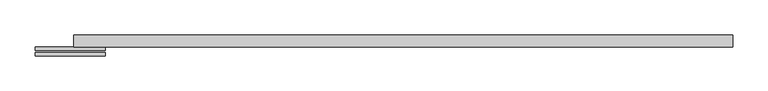
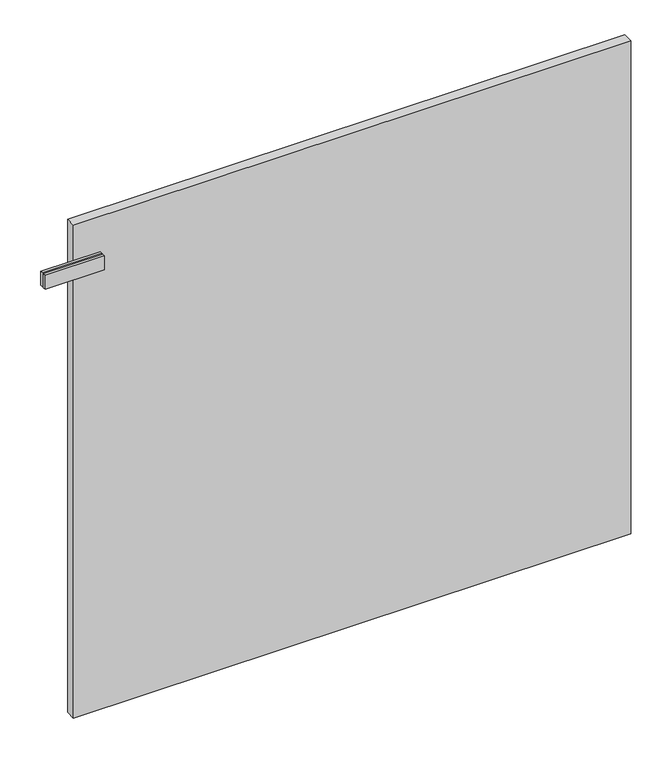
"""IFC4 building model written with IfcOpenShell, lengths in millimetres: plate geometry."""

from ifc_helpers import new_model, si_unit, frame, origin, origin_with_axes, place, context, project, spatial, polyline, outline, extrude, source, transform, mapped, element, save


def plate_899b6fd7(model_context):
    return source(origin(), model_context, "Body", "SweptSolid", [
        extrude(outline(polyline([(-425.0000001, -13.75), (-525.0000001, -13.75), (-525.0000001, -8.75), (-425.0000001, -8.75), (-425.0000001, -13.75)])), frame((0.0, 0.0, 791.5), z_axis=(0.0, 0.0, 1.0), x_axis=(1.0, 0.0, 0.0)), (0.0, 0.0, 1.0), 25.0),
        extrude(outline(polyline([(-425.0000001, -16.25), (-425.0000001, -21.25), (-525.0000001, -21.25), (-525.0000001, -16.25), (-425.0000001, -16.25)])), frame((0.0, 0.0, 791.5), z_axis=(0.0, 0.0, 1.0), x_axis=(1.0, 0.0, 0.0)), (0.0, 0.0, 1.0), 25.0),
        extrude(outline(polyline([(470.0000001, 8.75), (470.0000001, -8.75), (-470.0000001, -8.75), (-470.0000001, 8.75), (470.0000001, 8.75)])), origin_with_axes(), (0.0, 0.0, 1.0), 879.0),
    ])


if __name__ == "__main__":
    model = new_model("IFC4")
    model_context = context("Model", 3, world=origin())
    ifc_project = project(units=[si_unit("LENGTHUNIT", "METRE", prefix="MILLI")], contexts=[model_context])
    site = spatial("IfcSite", under=ifc_project)
    building = spatial("IfcBuilding", under=site)
    placement = place(None, origin())
    plate_shape = plate_899b6fd7(model_context)
    element("IfcPlate", 1, at=placement, inside=building, context=model_context, shape_type="MappedRepresentation", body=[
        mapped(plate_shape, transform((0.0, 0.0, 0.0), x_axis=(1.0, 0.0, 0.0), y_axis=(0.0, 1.0, 0.0), z_axis=(0.0, 0.0, 1.0))),
    ])
    save(model, "model.ifc")
